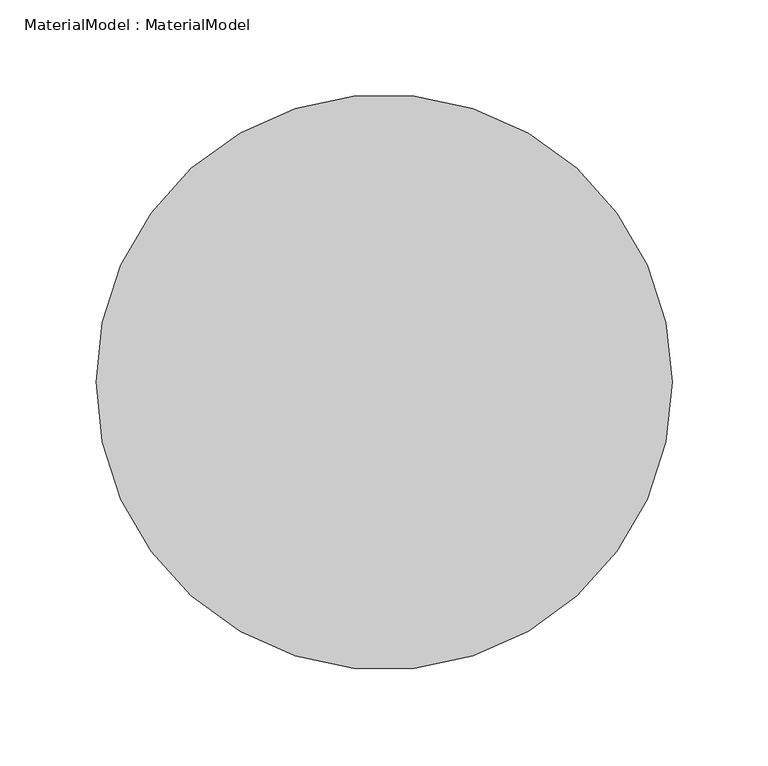
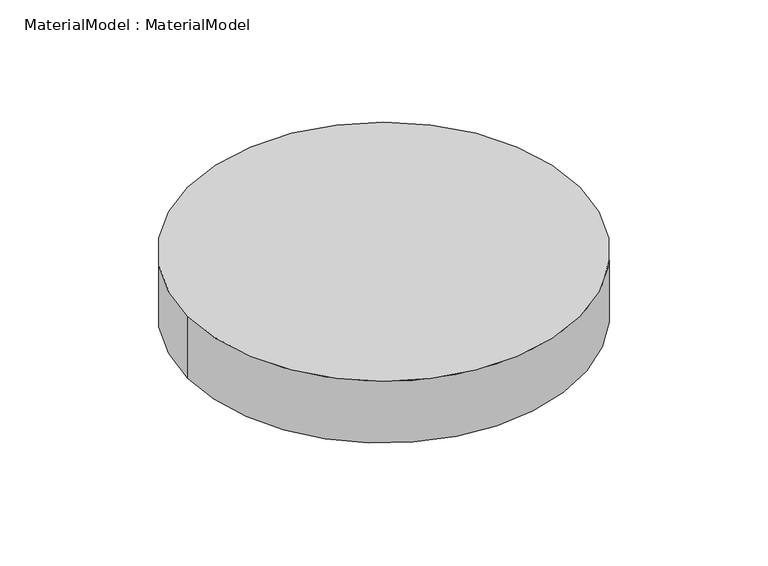
"""IFC4 building model written with IfcOpenShell, lengths in millimetres: proxy geometry, MaterialModel : MaterialModel."""

from ifc_helpers import new_model, si_unit, point, origin, origin_with_axes, origin_2d, place, context, project, spatial, circle_curve, trimmed, segment, composite_curve, outline, extrude, source, transform, mapped, element, save


def materialmodel_materialmodel_e17e94b1(model_context):
    return source(origin(), model_context, "Body", "SweptSolid", [
        extrude(outline(composite_curve([segment(trimmed(circle_curve(origin_2d(), 150.0), [point((-150.0, 0.0))], [point((150.0, 0.0))], False, "CARTESIAN"), True, "CONTINUOUS"), segment(trimmed(circle_curve(origin_2d(), 150.0), [point((150.0, 0.0))], [point((-150.0, 0.0))], False, "CARTESIAN"), True, "CONTINUOUS")], self_intersect=False)), origin_with_axes(), (0.0, 0.0, 1.0), 50.0),
    ])


if __name__ == "__main__":
    model = new_model("IFC4")
    model_context = context("Model", 3, world=origin())
    ifc_project = project(units=[si_unit("LENGTHUNIT", "METRE", prefix="MILLI")], contexts=[model_context])
    site = spatial("IfcSite", under=ifc_project)
    building = spatial("IfcBuilding", under=site)
    placement = place(None, origin())
    materialmodel_materialmodel_shape = materialmodel_materialmodel_e17e94b1(model_context)
    element("IfcBuildingElementProxy", 1, Name="MaterialModel : MaterialModel", ObjectType="MaterialModel : MaterialModel", at=placement, inside=building, context=model_context, shape_type="MappedRepresentation", body=[
        mapped(materialmodel_materialmodel_shape, transform((0.0, 0.0, 0.0), x_axis=(1.0, 0.0, 0.0), y_axis=(0.0, 1.0, 0.0), z_axis=(0.0, 0.0, 1.0))),
    ])
    save(model, "model.ifc")
